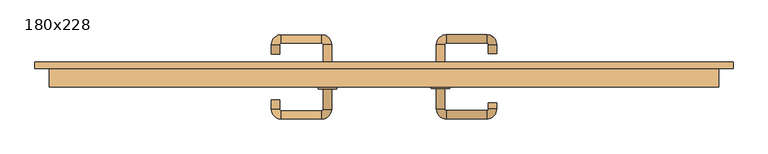
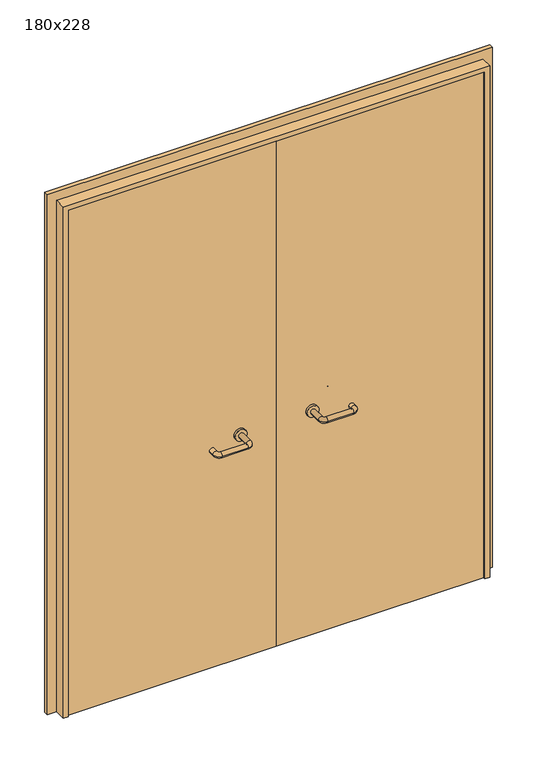
"""IFC4 building model written with IfcOpenShell, lengths in millimetres: door geometry, 180x228."""

from ifc_helpers import new_model, si_unit, point, frame, frame_2d, origin, place, context, project, spatial, polyline, circle_curve, ellipse_curve, trimmed, segment, composite_curve, outline, extrude, source, transform, mapped, element, save
from ifc_brep_helpers import plane_surface, cylinder_surface, revolved_surface, advanced_brep


def door_180x228_e99137ef(model_context):
    return source(origin(), model_context, "Body", "SolidModel", [
        extrude(outline(polyline([(2319.0, 939.0), (2319.0, -939.0), (0.0, -939.0), (0.0, -895.0), (2275.0, -895.0), (2275.0, 895.0), (0.0, 895.0), (0.0, 939.0), (2319.0, 939.0)])), frame((0.0, 200.0, 0.0), z_axis=(0.0, 1.0, 0.0), x_axis=(0.0, 0.0, 1.0)), (0.0, 0.0, 1.0), 18.0),
        extrude(outline(polyline([(2280.0, -900.0), (0.0, -900.0), (0.0, -880.0), (2260.0, -880.0), (2260.0, 880.0), (0.0, 880.0), (0.0, 900.0), (2280.0, 900.0), (2280.0, -900.0)])), frame((0.0, 150.0, 0.0), z_axis=(0.0, 1.0, 0.0), x_axis=(0.0, 0.0, 1.0)), (0.0, 0.0, 1.0), 50.0),
        advanced_brep(
        [(140.99898, 146.0, 1003.0), (162.99898, 146.0, 1003.0), (140.99898, 90.6474631, 1003.0), (162.99898, 90.6474631, 1003.0), (166.99898, 86.6474631, 1003.0), (166.99898, 64.6474631, 1003.0), (276.99898, 64.6474631, 1003.0), (276.99898, 86.6474631, 1003.0), (280.99898, 90.6474631, 1003.0), (302.99898, 90.6474631, 1003.0), (302.99898, 108.0, 1003.0), (280.99898, 108.0, 1003.0)],
        [
            (0, 1, circle_curve(frame((151.99898, 146.0, 1003.0), z_axis=(0.0, 1.0, 0.0), x_axis=(1.0, 0.0, 0.0)), 11.0)),
            (1, 0, circle_curve(frame((151.99898, 146.0, 1003.0), z_axis=(0.0, 1.0, 0.0), x_axis=(1.0, 0.0, 0.0)), 11.0)),
            (0, 2),
            (2, 3, circle_curve(frame((151.99898, 90.6474631, 1003.0), z_axis=(0.0, 1.0, 0.0), x_axis=(1.0, 0.0, 0.0)), 11.0)),
            (3, 1),
            (3, 2, circle_curve(frame((151.99898, 90.6474631, 1003.0), z_axis=(0.0, 1.0, 0.0), x_axis=(1.0, 0.0, 0.0)), 11.0)),
            (4, 3, circle_curve(frame((166.99898, 90.6474631, 1003.0), z_axis=(0.0, 0.0, -1.0), x_axis=(-1.0, 0.0, 0.0)), 4.0)),
            (2, 5, circle_curve(frame((166.99898, 90.6474631, 1003.0), z_axis=(0.0, 0.0, 1.0), x_axis=(-1.0, 0.0, 0.0)), 26.0)),
            (5, 4, circle_curve(frame((166.99898, 75.6474631, 1003.0), z_axis=(-1.0, 0.0, 0.0), x_axis=(0.0, 1.0, 0.0)), 11.0)),
            (4, 5, circle_curve(frame((166.99898, 75.6474631, 1003.0), z_axis=(-1.0, 0.0, 0.0), x_axis=(0.0, 1.0, 0.0)), 11.0)),
            (5, 6),
            (6, 7, circle_curve(frame((276.99898, 75.6474631, 1003.0), z_axis=(-1.0, 0.0, 0.0), x_axis=(0.0, 1.0, 0.0)), 11.0)),
            (7, 4),
            (7, 6, circle_curve(frame((276.99898, 75.6474631, 1003.0), z_axis=(-1.0, 0.0, 0.0), x_axis=(0.0, 1.0, 0.0)), 11.0)),
            (8, 7, circle_curve(frame((276.99898, 90.6474631, 1003.0), z_axis=(0.0, 0.0, -1.0), x_axis=(0.0, -1.0, 0.0)), 4.0)),
            (6, 9, circle_curve(frame((276.99898, 90.6474631, 1003.0), z_axis=(0.0, 0.0, 1.0), x_axis=(0.0, -1.0, 0.0)), 26.0)),
            (9, 8, circle_curve(frame((291.99898, 90.6474631, 1003.0), z_axis=(0.0, -1.0, 0.0), x_axis=(-1.0, 0.0, 0.0)), 11.0)),
            (8, 9, circle_curve(frame((291.99898, 90.6474631, 1003.0), z_axis=(0.0, -1.0, 0.0), x_axis=(-1.0, 0.0, 0.0)), 11.0)),
            (10, 11, circle_curve(frame((291.99898, 108.0, 1003.0), z_axis=(0.0, 1.0, 0.0), x_axis=(-1.0, 0.0, 0.0)), 11.0)),
            (11, 10, circle_curve(frame((291.99898, 108.0, 1003.0), z_axis=(0.0, 1.0, 0.0), x_axis=(-1.0, 0.0, 0.0)), 11.0)),
            (9, 10),
            (11, 8),
        ],
        [
            plane_surface(frame((140.99898, 146.0, 1003.0), z_axis=(0.0, 1.0, 0.0), x_axis=(0.0, 0.0, -1.0))),
            cylinder_surface(frame((151.99898, 146.0, 1003.0), z_axis=(0.0, 1.0, 0.0), x_axis=(1.0, 0.0, 0.0)), 11.0),
            revolved_surface(trimmed(ellipse_curve(frame((151.99898, 90.6474631, 1003.0), z_axis=(0.0, 1.0, 0.0), x_axis=(1.0, 0.0, 0.0)), 11.0, 11.0), [point((140.99898, 90.6474631, 1003.0))], [point((162.99898, 90.6474631, 1003.0))], True, "CARTESIAN"), (166.99898, 90.6474631, 1003.0), (0.0, 0.0, 1.0)),
            revolved_surface(trimmed(ellipse_curve(frame((151.99898, 90.6474631, 1003.0), z_axis=(0.0, 1.0, 0.0), x_axis=(1.0, 0.0, 0.0)), 11.0, 11.0), [point((162.99898, 90.6474631, 1003.0))], [point((140.99898, 90.6474631, 1003.0))], True, "CARTESIAN"), (166.99898, 90.6474631, 1003.0), (0.0, 0.0, 1.0)),
            cylinder_surface(frame((166.99898, 75.6474631, 1003.0), z_axis=(-1.0, 0.0, 0.0), x_axis=(0.0, 1.0, 0.0)), 11.0),
            revolved_surface(trimmed(ellipse_curve(frame((276.99898, 75.6474631, 1003.0), z_axis=(-1.0, 0.0, 0.0), x_axis=(0.0, 1.0, 0.0)), 11.0, 11.0), [point((276.99898, 64.6474631, 1003.0))], [point((276.99898, 86.6474631, 1003.0))], True, "CARTESIAN"), (276.99898, 90.6474631, 1003.0), (0.0, 0.0, 1.0)),
            revolved_surface(trimmed(ellipse_curve(frame((276.99898, 75.6474631, 1003.0), z_axis=(-1.0, 0.0, 0.0), x_axis=(0.0, 1.0, 0.0)), 11.0, 11.0), [point((276.99898, 86.6474631, 1003.0))], [point((276.99898, 64.6474631, 1003.0))], True, "CARTESIAN"), (276.99898, 90.6474631, 1003.0), (0.0, 0.0, 1.0)),
            plane_surface(frame((280.99898, 108.0, 1003.0), z_axis=(0.0, 1.0, 0.0), x_axis=(0.0, 0.0, 1.0))),
            cylinder_surface(frame((291.99898, 90.6474631, 1003.0), z_axis=(0.0, -1.0, 0.0), x_axis=(-1.0, 0.0, 0.0)), 11.0),
        ],
        [
            (0, [[1, 2]]),
            (1, [[-1, 3, 4, 5]]),
            (1, [[-2, -5, 6, -3]]),
            (2, [[7, -4, 8, 9]]),
            (3, [[-8, -6, -7, 10]]),
            (4, [[-9, 11, 12, 13]]),
            (4, [[-10, -13, 14, -11]]),
            (5, [[15, -12, 16, 17]]),
            (6, [[-16, -14, -15, 18]]),
            (7, [[19, 20]]),
            (8, [[-17, 21, -20, 22]]),
            (8, [[-18, -22, -19, -21]]),
        ],
    ),
        extrude(outline(composite_curve([segment(trimmed(circle_curve(frame_2d((1003.0, 151.99898)), 25.0), [point((1003.0, 126.99898))], [point((1003.0, 176.99898))], False, "CARTESIAN"), True, "CONTINUOUS"), segment(trimmed(circle_curve(frame_2d((1003.0, 151.99898)), 25.0), [point((1003.0, 176.99898))], [point((1003.0, 126.99898))], False, "CARTESIAN"), True, "CONTINUOUS")], self_intersect=False)), frame((0.0, 146.0, 0.0), z_axis=(0.0, 1.0, 0.0), x_axis=(0.0, 0.0, 1.0)), (0.0, 0.0, 1.0), 10.0),
        advanced_brep(
        [(162.99898, 210.0, 1003.0), (140.99898, 210.0, 1003.0), (162.99898, 265.0, 1003.0), (140.99898, 265.0, 1003.0), (166.99898, 291.0, 1003.0), (166.99898, 269.0, 1003.0), (276.99898, 269.0, 1003.0), (276.99898, 291.0, 1003.0), (302.99898, 265.0, 1003.0), (280.99898, 265.0, 1003.0), (280.99898, 240.0, 1003.0), (302.99898, 240.0, 1003.0)],
        [
            (0, 1, circle_curve(frame((151.99898, 210.0, 1003.0), z_axis=(0.0, -1.0, 0.0), x_axis=(-1.0, 0.0, 0.0)), 11.0)),
            (1, 0, circle_curve(frame((151.99898, 210.0, 1003.0), z_axis=(0.0, -1.0, 0.0), x_axis=(-1.0, 0.0, 0.0)), 11.0)),
            (0, 2),
            (2, 3, circle_curve(frame((151.99898, 265.0, 1003.0), z_axis=(0.0, -1.0, 0.0), x_axis=(-1.0, 0.0, 0.0)), 11.0)),
            (3, 1),
            (3, 2, circle_curve(frame((151.99898, 265.0, 1003.0), z_axis=(0.0, -1.0, 0.0), x_axis=(-1.0, 0.0, 0.0)), 11.0)),
            (4, 3, circle_curve(frame((166.99898, 265.0, 1003.0), z_axis=(0.0, 0.0, 1.0), x_axis=(-1.0, 0.0, 0.0)), 26.0)),
            (2, 5, circle_curve(frame((166.99898, 265.0, 1003.0), z_axis=(0.0, 0.0, -1.0), x_axis=(-1.0, 0.0, 0.0)), 4.0)),
            (5, 4, circle_curve(frame((166.99898, 280.0, 1003.0), z_axis=(-1.0, 0.0, 0.0), x_axis=(0.0, 1.0, 0.0)), 11.0)),
            (4, 5, circle_curve(frame((166.99898, 280.0, 1003.0), z_axis=(-1.0, 0.0, 0.0), x_axis=(0.0, 1.0, 0.0)), 11.0)),
            (5, 6),
            (6, 7, circle_curve(frame((276.99898, 280.0, 1003.0), z_axis=(-1.0, 0.0, 0.0), x_axis=(0.0, 1.0, 0.0)), 11.0)),
            (7, 4),
            (7, 6, circle_curve(frame((276.99898, 280.0, 1003.0), z_axis=(-1.0, 0.0, 0.0), x_axis=(0.0, 1.0, 0.0)), 11.0)),
            (8, 7, circle_curve(frame((276.99898, 265.0, 1003.0), z_axis=(0.0, 0.0, 1.0), x_axis=(0.0, 1.0, 0.0)), 26.0)),
            (6, 9, circle_curve(frame((276.99898, 265.0, 1003.0), z_axis=(0.0, 0.0, -1.0), x_axis=(0.0, 1.0, 0.0)), 4.0)),
            (9, 8, circle_curve(frame((291.99898, 265.0, 1003.0), z_axis=(0.0, 1.0, 0.0), x_axis=(1.0, 0.0, 0.0)), 11.0)),
            (8, 9, circle_curve(frame((291.99898, 265.0, 1003.0), z_axis=(0.0, 1.0, 0.0), x_axis=(1.0, 0.0, 0.0)), 11.0)),
            (10, 11, circle_curve(frame((291.99898, 240.0, 1003.0), z_axis=(0.0, -1.0, 0.0), x_axis=(1.0, 0.0, 0.0)), 11.0)),
            (11, 10, circle_curve(frame((291.99898, 240.0, 1003.0), z_axis=(0.0, -1.0, 0.0), x_axis=(1.0, 0.0, 0.0)), 11.0)),
            (9, 10),
            (11, 8),
        ],
        [
            plane_surface(frame((140.99898, 210.0, 1003.0), z_axis=(0.0, -1.0, 0.0), x_axis=(0.0, 0.0, 1.0))),
            cylinder_surface(frame((151.99898, 210.0, 1003.0), z_axis=(0.0, -1.0, 0.0), x_axis=(-1.0, 0.0, 0.0)), 11.0),
            revolved_surface(trimmed(ellipse_curve(frame((151.99898, 265.0, 1003.0), z_axis=(0.0, -1.0, 0.0), x_axis=(-1.0, 0.0, 0.0)), 11.0, 11.0), [point((162.99898, 265.0, 1003.0))], [point((140.99898, 265.0, 1003.0))], True, "CARTESIAN"), (166.99898, 265.0, 1003.0), (0.0, 0.0, -1.0)),
            revolved_surface(trimmed(ellipse_curve(frame((151.99898, 265.0, 1003.0), z_axis=(0.0, -1.0, 0.0), x_axis=(-1.0, 0.0, 0.0)), 11.0, 11.0), [point((140.99898, 265.0, 1003.0))], [point((162.99898, 265.0, 1003.0))], True, "CARTESIAN"), (166.99898, 265.0, 1003.0), (0.0, 0.0, -1.0)),
            cylinder_surface(frame((166.99898, 280.0, 1003.0), z_axis=(-1.0, 0.0, 0.0), x_axis=(0.0, 1.0, 0.0)), 11.0),
            revolved_surface(trimmed(ellipse_curve(frame((276.99898, 280.0, 1003.0), z_axis=(-1.0, 0.0, 0.0), x_axis=(0.0, 1.0, 0.0)), 11.0, 11.0), [point((276.99898, 269.0, 1003.0))], [point((276.99898, 291.0, 1003.0))], True, "CARTESIAN"), (276.99898, 265.0, 1003.0), (0.0, 0.0, -1.0)),
            revolved_surface(trimmed(ellipse_curve(frame((276.99898, 280.0, 1003.0), z_axis=(-1.0, 0.0, 0.0), x_axis=(0.0, 1.0, 0.0)), 11.0, 11.0), [point((276.99898, 291.0, 1003.0))], [point((276.99898, 269.0, 1003.0))], True, "CARTESIAN"), (276.99898, 265.0, 1003.0), (0.0, 0.0, -1.0)),
            plane_surface(frame((280.99898, 240.0, 1003.0), z_axis=(0.0, -1.0, 0.0), x_axis=(0.0, 0.0, -1.0))),
            cylinder_surface(frame((291.99898, 265.0, 1003.0), z_axis=(0.0, 1.0, 0.0), x_axis=(1.0, 0.0, 0.0)), 11.0),
        ],
        [
            (0, [[1, 2]]),
            (1, [[-1, 3, 4, 5]]),
            (1, [[-2, -5, 6, -3]]),
            (2, [[7, -4, 8, 9]]),
            (3, [[-8, -6, -7, 10]]),
            (4, [[-9, 11, 12, 13]]),
            (4, [[-10, -13, 14, -11]]),
            (5, [[15, -12, 16, 17]]),
            (6, [[-16, -14, -15, 18]]),
            (7, [[19, 20]]),
            (8, [[-17, 21, -20, 22]]),
            (8, [[-18, -22, -19, -21]]),
        ],
    ),
        extrude(outline(composite_curve([segment(trimmed(circle_curve(frame_2d((1003.0, 151.99898)), 25.0), [point((1003.0, 176.99898))], [point((1003.0, 126.99898))], False, "CARTESIAN"), True, "CONTINUOUS"), segment(trimmed(circle_curve(frame_2d((1003.0, 151.99898)), 25.0), [point((1003.0, 126.99898))], [point((1003.0, 176.99898))], False, "CARTESIAN"), True, "CONTINUOUS")], self_intersect=False)), frame((0.0, 200.0, 0.0), z_axis=(0.0, 1.0, 0.0), x_axis=(0.0, 0.0, 1.0)), (0.0, 0.0, 1.0), 10.0),
        advanced_brep(
        [(-162.99898, 145.6886121, 1003.0), (-140.99898, 145.6886121, 1003.0), (-162.99898, 90.2779553, 1003.0), (-140.99898, 90.2779553, 1003.0), (-166.99898, 64.2779553, 1003.0), (-166.99898, 86.2779553, 1003.0), (-276.99898, 86.2779553, 1003.0), (-276.99898, 64.2779553, 1003.0), (-302.99898, 90.2779553, 1003.0), (-280.99898, 90.2779553, 1003.0), (-280.99898, 115.2779553, 1003.0), (-302.99898, 115.2779553, 1003.0)],
        [
            (0, 1, circle_curve(frame((-151.99898, 145.6886121, 1003.0), z_axis=(0.0, 1.0, 0.0), x_axis=(1.0, 0.0, 0.0)), 11.0)),
            (1, 0, circle_curve(frame((-151.99898, 145.6886121, 1003.0), z_axis=(0.0, 1.0, 0.0), x_axis=(1.0, 0.0, 0.0)), 11.0)),
            (0, 2),
            (2, 3, circle_curve(frame((-151.99898, 90.2779553, 1003.0), z_axis=(0.0, 1.0, 0.0), x_axis=(1.0, 0.0, 0.0)), 11.0)),
            (3, 1),
            (3, 2, circle_curve(frame((-151.99898, 90.2779553, 1003.0), z_axis=(0.0, 1.0, 0.0), x_axis=(1.0, 0.0, 0.0)), 11.0)),
            (4, 3, circle_curve(frame((-166.99898, 90.2779553, 1003.0), z_axis=(0.0, 0.0, 1.0), x_axis=(1.0, 0.0, 0.0)), 26.0)),
            (2, 5, circle_curve(frame((-166.99898, 90.2779553, 1003.0), z_axis=(0.0, 0.0, -1.0), x_axis=(1.0, 0.0, 0.0)), 4.0)),
            (5, 4, circle_curve(frame((-166.99898, 75.2779553, 1003.0), z_axis=(1.0, 0.0, 0.0), x_axis=(0.0, -1.0, 0.0)), 11.0)),
            (4, 5, circle_curve(frame((-166.99898, 75.2779553, 1003.0), z_axis=(1.0, 0.0, 0.0), x_axis=(0.0, -1.0, 0.0)), 11.0)),
            (5, 6),
            (6, 7, circle_curve(frame((-276.99898, 75.2779553, 1003.0), z_axis=(1.0, 0.0, 0.0), x_axis=(0.0, -1.0, 0.0)), 11.0)),
            (7, 4),
            (7, 6, circle_curve(frame((-276.99898, 75.2779553, 1003.0), z_axis=(1.0, 0.0, 0.0), x_axis=(0.0, -1.0, 0.0)), 11.0)),
            (8, 7, circle_curve(frame((-276.99898, 90.2779553, 1003.0), z_axis=(0.0, 0.0, 1.0), x_axis=(0.0, -1.0, 0.0)), 26.0)),
            (6, 9, circle_curve(frame((-276.99898, 90.2779553, 1003.0), z_axis=(0.0, 0.0, -1.0), x_axis=(0.0, -1.0, 0.0)), 4.0)),
            (9, 8, circle_curve(frame((-291.99898, 90.2779553, 1003.0), z_axis=(0.0, -1.0, 0.0), x_axis=(-1.0, 0.0, 0.0)), 11.0)),
            (8, 9, circle_curve(frame((-291.99898, 90.2779553, 1003.0), z_axis=(0.0, -1.0, 0.0), x_axis=(-1.0, 0.0, 0.0)), 11.0)),
            (10, 11, circle_curve(frame((-291.99898, 115.2779553, 1003.0), z_axis=(0.0, 1.0, 0.0), x_axis=(-1.0, 0.0, 0.0)), 11.0)),
            (11, 10, circle_curve(frame((-291.99898, 115.2779553, 1003.0), z_axis=(0.0, 1.0, 0.0), x_axis=(-1.0, 0.0, 0.0)), 11.0)),
            (9, 10),
            (11, 8),
        ],
        [
            plane_surface(frame((-162.99898, 145.6886121, 1003.0), z_axis=(0.0, 1.0, 0.0), x_axis=(0.0, 0.0, -1.0))),
            cylinder_surface(frame((-151.99898, 145.6886121, 1003.0), z_axis=(0.0, 1.0, 0.0), x_axis=(1.0, 0.0, 0.0)), 11.0),
            revolved_surface(trimmed(ellipse_curve(frame((-151.99898, 90.2779553, 1003.0), z_axis=(0.0, 1.0, 0.0), x_axis=(1.0, 0.0, 0.0)), 11.0, 11.0), [point((-162.99898, 90.2779553, 1003.0))], [point((-140.99898, 90.2779553, 1003.0))], True, "CARTESIAN"), (-166.99898, 90.2779553, 1003.0), (0.0, 0.0, -1.0)),
            revolved_surface(trimmed(ellipse_curve(frame((-151.99898, 90.2779553, 1003.0), z_axis=(0.0, 1.0, 0.0), x_axis=(1.0, 0.0, 0.0)), 11.0, 11.0), [point((-140.99898, 90.2779553, 1003.0))], [point((-162.99898, 90.2779553, 1003.0))], True, "CARTESIAN"), (-166.99898, 90.2779553, 1003.0), (0.0, 0.0, -1.0)),
            cylinder_surface(frame((-166.99898, 75.2779553, 1003.0), z_axis=(1.0, 0.0, 0.0), x_axis=(0.0, -1.0, 0.0)), 11.0),
            revolved_surface(trimmed(ellipse_curve(frame((-276.99898, 75.2779553, 1003.0), z_axis=(1.0, 0.0, 0.0), x_axis=(0.0, -1.0, 0.0)), 11.0, 11.0), [point((-276.99898, 86.2779553, 1003.0))], [point((-276.99898, 64.2779553, 1003.0))], True, "CARTESIAN"), (-276.99898, 90.2779553, 1003.0), (0.0, 0.0, -1.0)),
            revolved_surface(trimmed(ellipse_curve(frame((-276.99898, 75.2779553, 1003.0), z_axis=(1.0, 0.0, 0.0), x_axis=(0.0, -1.0, 0.0)), 11.0, 11.0), [point((-276.99898, 64.2779553, 1003.0))], [point((-276.99898, 86.2779553, 1003.0))], True, "CARTESIAN"), (-276.99898, 90.2779553, 1003.0), (0.0, 0.0, -1.0)),
            plane_surface(frame((-302.99898, 115.2779553, 1003.0), z_axis=(0.0, 1.0, 0.0), x_axis=(0.0, 0.0, 1.0))),
            cylinder_surface(frame((-291.99898, 90.2779553, 1003.0), z_axis=(0.0, -1.0, 0.0), x_axis=(-1.0, 0.0, 0.0)), 11.0),
        ],
        [
            (0, [[1, 2]]),
            (1, [[-1, 3, 4, 5]]),
            (1, [[-2, -5, 6, -3]]),
            (2, [[7, -4, 8, 9]]),
            (3, [[-8, -6, -7, 10]]),
            (4, [[-9, 11, 12, 13]]),
            (4, [[-10, -13, 14, -11]]),
            (5, [[15, -12, 16, 17]]),
            (6, [[-16, -14, -15, 18]]),
            (7, [[19, 20]]),
            (8, [[-17, 21, -20, 22]]),
            (8, [[-18, -22, -19, -21]]),
        ],
    ),
        extrude(outline(composite_curve([segment(trimmed(circle_curve(frame_2d((1003.0, -151.99898)), 25.0), [point((1003.0, -176.99898))], [point((1003.0, -126.99898))], False, "CARTESIAN"), True, "CONTINUOUS"), segment(trimmed(circle_curve(frame_2d((1003.0, -151.99898)), 25.0), [point((1003.0, -126.99898))], [point((1003.0, -176.99898))], False, "CARTESIAN"), True, "CONTINUOUS")], self_intersect=False)), frame((0.0, 145.6886121, 0.0), z_axis=(0.0, 1.0, 0.0), x_axis=(0.0, 0.0, 1.0)), (0.0, 0.0, 1.0), 10.3113879),
        advanced_brep(
        [(-140.99898, 209.5143417, 1003.0), (-162.99898, 209.5143417, 1003.0), (-140.99898, 264.6104656, 1003.0), (-162.99898, 264.6104656, 1003.0), (-166.99898, 268.6104656, 1003.0), (-166.99898, 290.6104656, 1003.0), (-276.99898, 290.6104656, 1003.0), (-276.99898, 268.6104656, 1003.0), (-280.99898, 264.6104656, 1003.0), (-302.99898, 264.6104656, 1003.0), (-302.99898, 239.6104656, 1003.0), (-280.99898, 239.6104656, 1003.0)],
        [
            (0, 1, circle_curve(frame((-151.99898, 209.5143417, 1003.0), z_axis=(0.0, -1.0, 0.0), x_axis=(-1.0, 0.0, 0.0)), 11.0)),
            (1, 0, circle_curve(frame((-151.99898, 209.5143417, 1003.0), z_axis=(0.0, -1.0, 0.0), x_axis=(-1.0, 0.0, 0.0)), 11.0)),
            (0, 2),
            (2, 3, circle_curve(frame((-151.99898, 264.6104656, 1003.0), z_axis=(0.0, -1.0, 0.0), x_axis=(-1.0, 0.0, 0.0)), 11.0)),
            (3, 1),
            (3, 2, circle_curve(frame((-151.99898, 264.6104656, 1003.0), z_axis=(0.0, -1.0, 0.0), x_axis=(-1.0, 0.0, 0.0)), 11.0)),
            (4, 3, circle_curve(frame((-166.99898, 264.6104656, 1003.0), z_axis=(0.0, 0.0, -1.0), x_axis=(1.0, 0.0, 0.0)), 4.0)),
            (2, 5, circle_curve(frame((-166.99898, 264.6104656, 1003.0), z_axis=(0.0, 0.0, 1.0), x_axis=(1.0, 0.0, 0.0)), 26.0)),
            (5, 4, circle_curve(frame((-166.99898, 279.6104656, 1003.0), z_axis=(1.0, 0.0, 0.0), x_axis=(0.0, -1.0, 0.0)), 11.0)),
            (4, 5, circle_curve(frame((-166.99898, 279.6104656, 1003.0), z_axis=(1.0, 0.0, 0.0), x_axis=(0.0, -1.0, 0.0)), 11.0)),
            (5, 6),
            (6, 7, circle_curve(frame((-276.99898, 279.6104656, 1003.0), z_axis=(1.0, 0.0, 0.0), x_axis=(0.0, -1.0, 0.0)), 11.0)),
            (7, 4),
            (7, 6, circle_curve(frame((-276.99898, 279.6104656, 1003.0), z_axis=(1.0, 0.0, 0.0), x_axis=(0.0, -1.0, 0.0)), 11.0)),
            (8, 7, circle_curve(frame((-276.99898, 264.6104656, 1003.0), z_axis=(0.0, 0.0, -1.0), x_axis=(0.0, 1.0, 0.0)), 4.0)),
            (6, 9, circle_curve(frame((-276.99898, 264.6104656, 1003.0), z_axis=(0.0, 0.0, 1.0), x_axis=(0.0, 1.0, 0.0)), 26.0)),
            (9, 8, circle_curve(frame((-291.99898, 264.6104656, 1003.0), z_axis=(0.0, 1.0, 0.0), x_axis=(1.0, 0.0, 0.0)), 11.0)),
            (8, 9, circle_curve(frame((-291.99898, 264.6104656, 1003.0), z_axis=(0.0, 1.0, 0.0), x_axis=(1.0, 0.0, 0.0)), 11.0)),
            (10, 11, circle_curve(frame((-291.99898, 239.6104656, 1003.0), z_axis=(0.0, -1.0, 0.0), x_axis=(1.0, 0.0, 0.0)), 11.0)),
            (11, 10, circle_curve(frame((-291.99898, 239.6104656, 1003.0), z_axis=(0.0, -1.0, 0.0), x_axis=(1.0, 0.0, 0.0)), 11.0)),
            (9, 10),
            (11, 8),
        ],
        [
            plane_surface(frame((-162.99898, 209.5143417, 1003.0), z_axis=(0.0, -1.0, 0.0), x_axis=(0.0, 0.0, 1.0))),
            cylinder_surface(frame((-151.99898, 209.5143417, 1003.0), z_axis=(0.0, -1.0, 0.0), x_axis=(-1.0, 0.0, 0.0)), 11.0),
            revolved_surface(trimmed(ellipse_curve(frame((-151.99898, 264.6104656, 1003.0), z_axis=(0.0, -1.0, 0.0), x_axis=(-1.0, 0.0, 0.0)), 11.0, 11.0), [point((-140.99898, 264.6104656, 1003.0))], [point((-162.99898, 264.6104656, 1003.0))], True, "CARTESIAN"), (-166.99898, 264.6104656, 1003.0), (0.0, 0.0, 1.0)),
            revolved_surface(trimmed(ellipse_curve(frame((-151.99898, 264.6104656, 1003.0), z_axis=(0.0, -1.0, 0.0), x_axis=(-1.0, 0.0, 0.0)), 11.0, 11.0), [point((-162.99898, 264.6104656, 1003.0))], [point((-140.99898, 264.6104656, 1003.0))], True, "CARTESIAN"), (-166.99898, 264.6104656, 1003.0), (0.0, 0.0, 1.0)),
            cylinder_surface(frame((-166.99898, 279.6104656, 1003.0), z_axis=(1.0, 0.0, 0.0), x_axis=(0.0, -1.0, 0.0)), 11.0),
            revolved_surface(trimmed(ellipse_curve(frame((-276.99898, 279.6104656, 1003.0), z_axis=(1.0, 0.0, 0.0), x_axis=(0.0, -1.0, 0.0)), 11.0, 11.0), [point((-276.99898, 290.6104656, 1003.0))], [point((-276.99898, 268.6104656, 1003.0))], True, "CARTESIAN"), (-276.99898, 264.6104656, 1003.0), (0.0, 0.0, 1.0)),
            revolved_surface(trimmed(ellipse_curve(frame((-276.99898, 279.6104656, 1003.0), z_axis=(1.0, 0.0, 0.0), x_axis=(0.0, -1.0, 0.0)), 11.0, 11.0), [point((-276.99898, 268.6104656, 1003.0))], [point((-276.99898, 290.6104656, 1003.0))], True, "CARTESIAN"), (-276.99898, 264.6104656, 1003.0), (0.0, 0.0, 1.0)),
            plane_surface(frame((-302.99898, 239.6104656, 1003.0), z_axis=(0.0, -1.0, 0.0), x_axis=(0.0, 0.0, -1.0))),
            cylinder_surface(frame((-291.99898, 264.6104656, 1003.0), z_axis=(0.0, 1.0, 0.0), x_axis=(1.0, 0.0, 0.0)), 11.0),
        ],
        [
            (0, [[1, 2]]),
            (1, [[-1, 3, 4, 5]]),
            (1, [[-2, -5, 6, -3]]),
            (2, [[7, -4, 8, 9]]),
            (3, [[-8, -6, -7, 10]]),
            (4, [[-9, 11, 12, 13]]),
            (4, [[-10, -13, 14, -11]]),
            (5, [[15, -12, 16, 17]]),
            (6, [[-16, -14, -15, 18]]),
            (7, [[19, 20]]),
            (8, [[-17, 21, -20, 22]]),
            (8, [[-18, -22, -19, -21]]),
        ],
    ),
        extrude(outline(composite_curve([segment(trimmed(circle_curve(frame_2d((1003.0, -151.99898)), 25.0), [point((1003.0, -126.99898))], [point((1003.0, -176.99898))], False, "CARTESIAN"), True, "CONTINUOUS"), segment(trimmed(circle_curve(frame_2d((1003.0, -151.99898)), 25.0), [point((1003.0, -176.99898))], [point((1003.0, -126.99898))], False, "CARTESIAN"), True, "CONTINUOUS")], self_intersect=False)), frame((0.0, 200.0, 0.0), z_axis=(0.0, 1.0, 0.0), x_axis=(0.0, 0.0, 1.0)), (0.0, 0.0, 1.0), 9.5143417),
        extrude(outline(polyline([(1.0739506, 156.0), (-877.0, 156.0), (-877.0, 200.0), (1.0739506, 200.0), (1.0739506, 156.0)])), frame((0.0, 0.0, 1.753223), z_axis=(0.0, 0.0, 1.0), x_axis=(1.0, 0.0, 0.0)), (0.0, 0.0, 1.0), 2258.246777),
        extrude(outline(polyline([(877.0, 156.0), (1.0739506, 156.0), (1.0739506, 200.0), (877.0, 200.0), (877.0, 156.0)])), frame((0.0, 0.0, 1.753223), z_axis=(0.0, 0.0, 1.0), x_axis=(1.0, 0.0, 0.0)), (0.0, 0.0, 1.0), 2258.246777),
    ])


if __name__ == "__main__":
    model = new_model("IFC4")
    model_context = context("Model", 3, world=origin())
    ifc_project = project(units=[si_unit("LENGTHUNIT", "METRE", prefix="MILLI")], contexts=[model_context])
    site = spatial("IfcSite", under=ifc_project)
    building = spatial("IfcBuilding", under=site)
    placement = place(None, origin())
    door_180x228_shape = door_180x228_e99137ef(model_context)
    element("IfcDoor", 1, ObjectType="180x228", at=placement, inside=building, context=model_context, shape_type="MappedRepresentation", body=[
        mapped(door_180x228_shape, transform((0.0, 0.0, 0.0), x_axis=(1.0, 0.0, 0.0), y_axis=(0.0, 1.0, 0.0), z_axis=(0.0, 0.0, 1.0))),
    ])
    save(model, "model.ifc")
